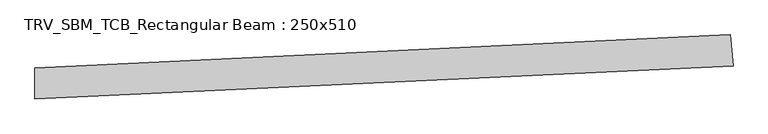
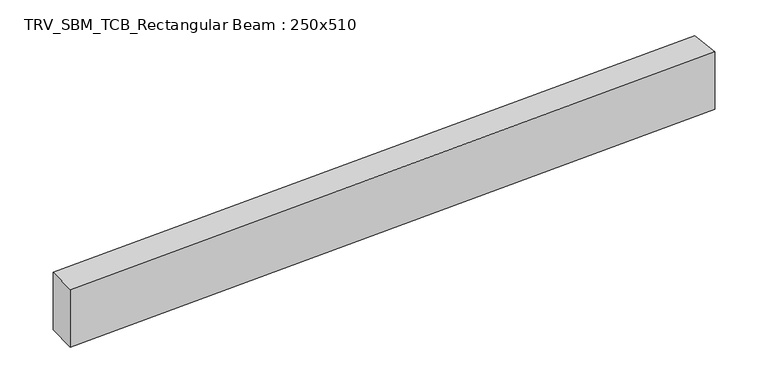
"""IFC4 building model written with IfcOpenShell, lengths in millimetres: beam geometry, TRV_SBM_TCB_Rectangular Beam : 250x510."""

from ifc_helpers import new_model, si_unit, point, frame, frame_2d, origin, place, context, project, spatial, polyline, circle_curve, trimmed, segment, composite_curve, outline, extrude, source, transform, mapped, element, save


def trv_sbm_tcb_rectangular_beam_250x510_540abe9b(model_context):
    return source(origin(), model_context, "Body", "SweptSolid", [
        extrude(outline(composite_curve([segment(polyline([(5525.2608062, 388.7633135), (5549.0753918, 139.9001674)]), True, "CONTINUOUS"), segment(trimmed(circle_curve(frame_2d((0.0, 58127.9073336)), 58252.9073336), [point((5549.0753918, 139.9001674))], [point((-12.7293227, -124.9986092))], False, "CARTESIAN"), True, "CONTINUOUS"), segment(polyline([(-12.7293227, -124.9986092), (-12.6746931, 125.0013848)]), True, "CONTINUOUS"), segment(trimmed(circle_curve(frame_2d((0.0, 58127.9073336)), 58002.9073336), [point((-12.6746931, 125.0013848))], [point((5525.2608062, 388.7633135))], True, "CARTESIAN"), True, "CONTINUOUS")], self_intersect=False)), frame((0.0, 0.0, -255.0), z_axis=(0.0, 0.0, 1.0), x_axis=(1.0, 0.0, 0.0)), (0.0, 0.0, 1.0), 510.0),
    ])


if __name__ == "__main__":
    model = new_model("IFC4")
    model_context = context("Model", 3, world=origin())
    ifc_project = project(units=[si_unit("LENGTHUNIT", "METRE", prefix="MILLI")], contexts=[model_context])
    site = spatial("IfcSite", under=ifc_project)
    building = spatial("IfcBuilding", under=site)
    placement = place(None, origin())
    trv_sbm_tcb_rectangular_beam_250x510_shape = trv_sbm_tcb_rectangular_beam_250x510_540abe9b(model_context)
    element("IfcBeam", 1, ObjectType="TRV_SBM_TCB_Rectangular Beam : 250x510", at=placement, inside=building, context=model_context, shape_type="MappedRepresentation", body=[
        mapped(trv_sbm_tcb_rectangular_beam_250x510_shape, transform((0.0, 0.0, 0.0), x_axis=(1.0, 0.0, 0.0), y_axis=(0.0, 1.0, 0.0), z_axis=(0.0, 0.0, 1.0))),
    ])
    save(model, "model.ifc")
